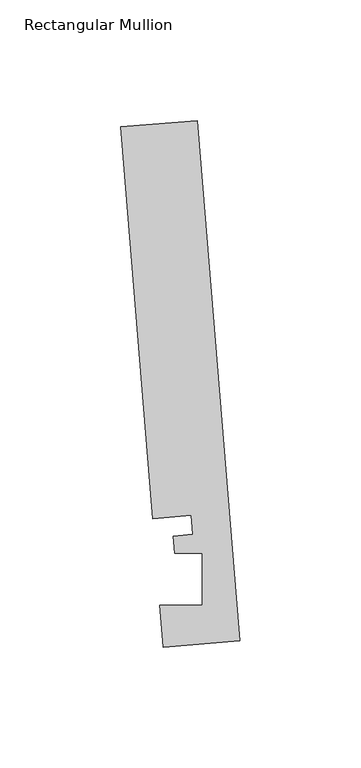
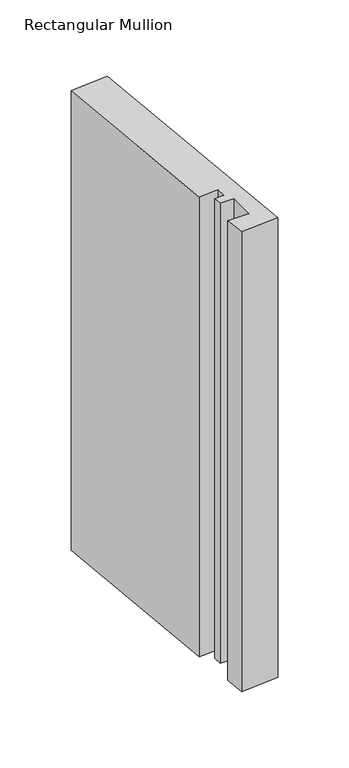
"""IFC4 building model written with IfcOpenShell, lengths in millimetres: member geometry, Rectangular Mullion."""

from ifc_helpers import new_model, si_unit, frame, origin, place, context, project, spatial, polyline, outline, extrude, source, transform, mapped, element, save


def rectangular_mullion_2fd0e6ec(model_context):
    return source(origin(), model_context, "Body", "SweptSolid", [
        extrude(outline(polyline([(-0.2190396, 2.6699364), (-31.8627302, 0.0739116), (-33.2772473, 17.315866), (-15.8506254, 17.315866), (-15.848851, 38.9474576), (-27.100463, 38.9474576), (-27.6861262, 46.0862742), (-19.7625461, 46.7363188), (-20.4084371, 54.6092691), (-36.2302824, 53.3112566), (-49.5364672, 215.5041572), (-17.8927766, 218.100182), (-0.2190396, 2.6699364)])), frame((0.0, 0.0, -404.9180077), z_axis=(0.0, 0.0, 1.0), x_axis=(1.0, 0.0, 0.0)), (0.0, 0.0, 1.0), 404.9180077),
    ])


if __name__ == "__main__":
    model = new_model("IFC4")
    model_context = context("Model", 3, world=origin())
    ifc_project = project(units=[si_unit("LENGTHUNIT", "METRE", prefix="MILLI")], contexts=[model_context])
    site = spatial("IfcSite", under=ifc_project)
    building = spatial("IfcBuilding", under=site)
    placement = place(None, origin())
    rectangular_mullion_shape = rectangular_mullion_2fd0e6ec(model_context)
    element("IfcMember", 1, ObjectType="Rectangular Mullion", at=placement, inside=building, context=model_context, shape_type="MappedRepresentation", body=[
        mapped(rectangular_mullion_shape, transform((0.0, 0.0, 0.0), x_axis=(1.0, 0.0, 0.0), y_axis=(0.0, 1.0, 0.0), z_axis=(0.0, 0.0, 1.0))),
    ])
    save(model, "model.ifc")
